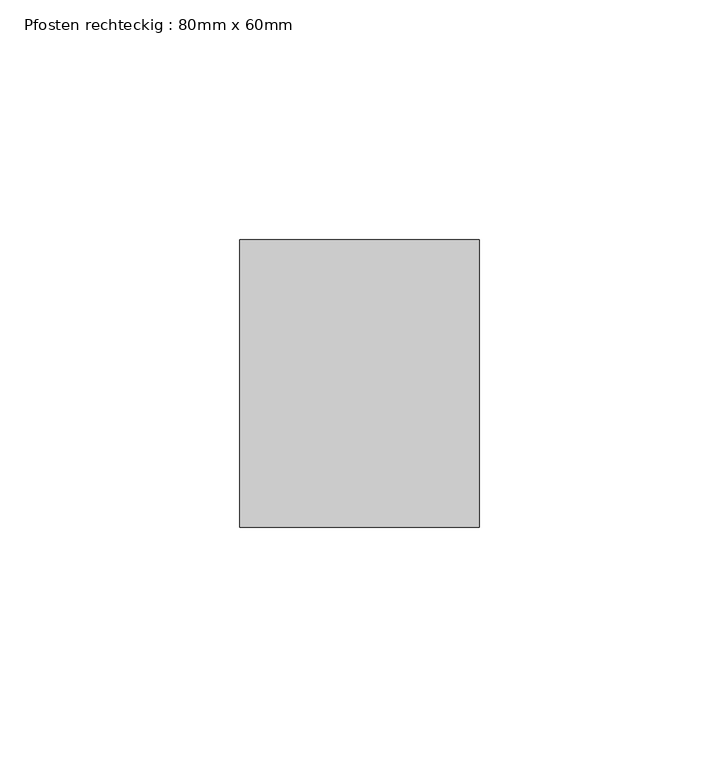
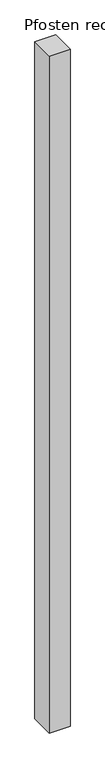
"""IFC4 building model written with IfcOpenShell, lengths in millimetres: member geometry, Pfosten rechteckig : 80mm x 60mm."""

from ifc_helpers import new_model, si_unit, frame, origin, place, context, project, spatial, polyline, outline, extrude, source, transform, mapped, element, save


def pfosten_rechteckig_80mm_x_60mm_d9f38e9e(model_context):
    return source(origin(), model_context, "Body", "SweptSolid", [
        extrude(outline(polyline([(0.0, 30.0), (0.0, -30.0), (-50.0, -30.0), (-50.0, 30.0), (0.0, 30.0)])), frame((0.0, 0.0, -1725.007928), z_axis=(0.0, 0.0, 1.0), x_axis=(1.0, 0.0, 0.0)), (0.0, 0.0, 1.0), 1725.007928),
    ])


if __name__ == "__main__":
    model = new_model("IFC4")
    model_context = context("Model", 3, world=origin())
    ifc_project = project(units=[si_unit("LENGTHUNIT", "METRE", prefix="MILLI")], contexts=[model_context])
    site = spatial("IfcSite", under=ifc_project)
    building = spatial("IfcBuilding", under=site)
    placement = place(None, origin())
    pfosten_rechteckig_80mm_x_60mm_shape = pfosten_rechteckig_80mm_x_60mm_d9f38e9e(model_context)
    element("IfcMember", 1, ObjectType="Pfosten rechteckig : 80mm x 60mm", at=placement, inside=building, context=model_context, shape_type="MappedRepresentation", body=[
        mapped(pfosten_rechteckig_80mm_x_60mm_shape, transform((0.0, 0.0, 0.0), x_axis=(1.0, 0.0, 0.0), y_axis=(0.0, 1.0, 0.0), z_axis=(0.0, 0.0, 1.0))),
    ])
    save(model, "model.ifc")
